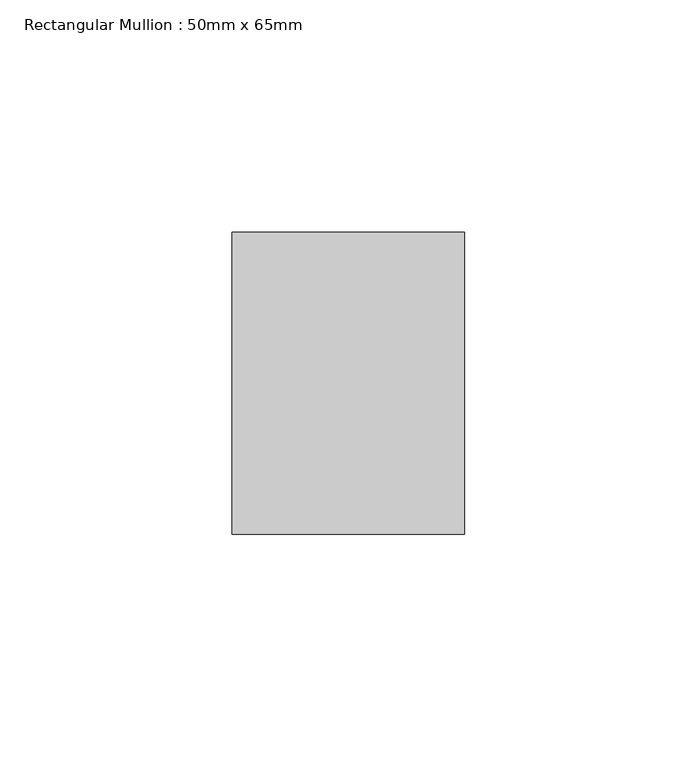
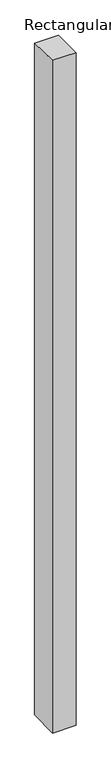
"""IFC4 building model written with IfcOpenShell, lengths in millimetres: member geometry, Rectangular Mullion : 50mm x 65mm."""

from ifc_helpers import new_model, si_unit, origin, place, context, project, spatial, faceted_brep, source, transform, mapped, element, save


def rectangular_mullion_50mm_x_65mm_57dea8cb(model_context):
    return source(origin(), model_context, "Body", "Brep", [
        faceted_brep([(-25.0, 32.5, -0.4518125), (25.0, 32.5, -0.4518172), (25.0, 32.5, -1499.4315504), (-25.0, 32.5, -1499.4315563), (-25.0, -32.5, 0.4518172), (-25.0, -32.5, -1500.5681961), (25.0, -32.5, 0.4518125), (25.0, -32.5, -1500.5681901)], [[[0, 1, 2, 3]], [[4, 0, 3, 5]], [[6, 4, 5, 7]], [[1, 6, 7, 2]], [[1, 0, 4, 6]], [[2, 7, 5, 3]]]),
    ])


if __name__ == "__main__":
    model = new_model("IFC4")
    model_context = context("Model", 3, world=origin())
    ifc_project = project(units=[si_unit("LENGTHUNIT", "METRE", prefix="MILLI")], contexts=[model_context])
    site = spatial("IfcSite", under=ifc_project)
    building = spatial("IfcBuilding", under=site)
    placement = place(None, origin())
    rectangular_mullion_50mm_x_65mm_shape = rectangular_mullion_50mm_x_65mm_57dea8cb(model_context)
    element("IfcMember", 1, ObjectType="Rectangular Mullion : 50mm x 65mm", at=placement, inside=building, context=model_context, shape_type="MappedRepresentation", body=[
        mapped(rectangular_mullion_50mm_x_65mm_shape, transform((0.0, 0.0, 0.0), x_axis=(1.0, 0.0, 0.0), y_axis=(0.0, 1.0, 0.0), z_axis=(0.0, 0.0, 1.0))),
    ])
    save(model, "model.ifc")
